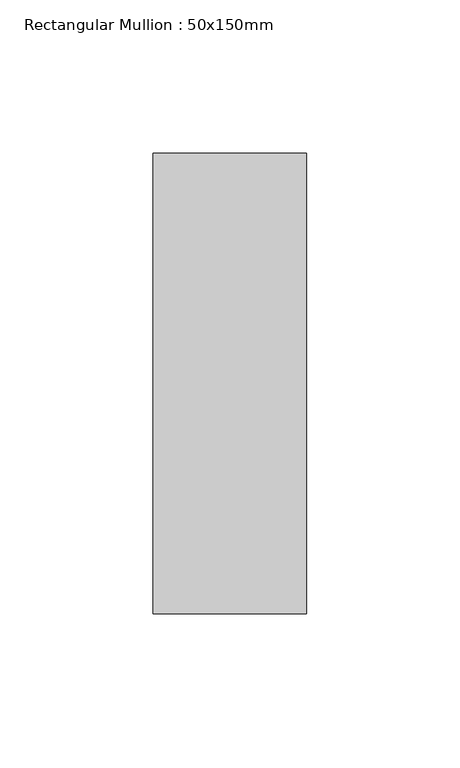
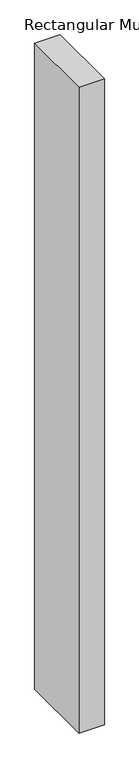
"""IFC4 building model written with IfcOpenShell, lengths in millimetres: member geometry, Rectangular Mullion : 50x150mm."""

from ifc_helpers import new_model, si_unit, frame, origin, place, context, project, spatial, polyline, outline, extrude, source, transform, mapped, element, save


def rectangular_mullion_50x150mm_1f19b097(model_context):
    return source(origin(), model_context, "Body", "SweptSolid", [
        extrude(outline(polyline([(25.0, 75.0), (25.0, -75.0), (-25.0, -75.0), (-25.0, 75.0), (25.0, 75.0)])), frame((0.0, 0.0, -1340.3427185), z_axis=(0.0, 0.0, 1.0), x_axis=(1.0, 0.0, 0.0)), (0.0, 0.0, 1.0), 1340.3427185),
    ])


if __name__ == "__main__":
    model = new_model("IFC4")
    model_context = context("Model", 3, world=origin())
    ifc_project = project(units=[si_unit("LENGTHUNIT", "METRE", prefix="MILLI")], contexts=[model_context])
    site = spatial("IfcSite", under=ifc_project)
    building = spatial("IfcBuilding", under=site)
    placement = place(None, origin())
    rectangular_mullion_50x150mm_shape = rectangular_mullion_50x150mm_1f19b097(model_context)
    element("IfcMember", 1, ObjectType="Rectangular Mullion : 50x150mm", at=placement, inside=building, context=model_context, shape_type="MappedRepresentation", body=[
        mapped(rectangular_mullion_50x150mm_shape, transform((0.0, 0.0, 0.0), x_axis=(1.0, 0.0, 0.0), y_axis=(0.0, 1.0, 0.0), z_axis=(0.0, 0.0, 1.0))),
    ])
    save(model, "model.ifc")
